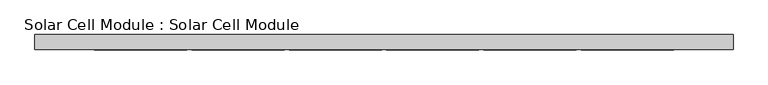
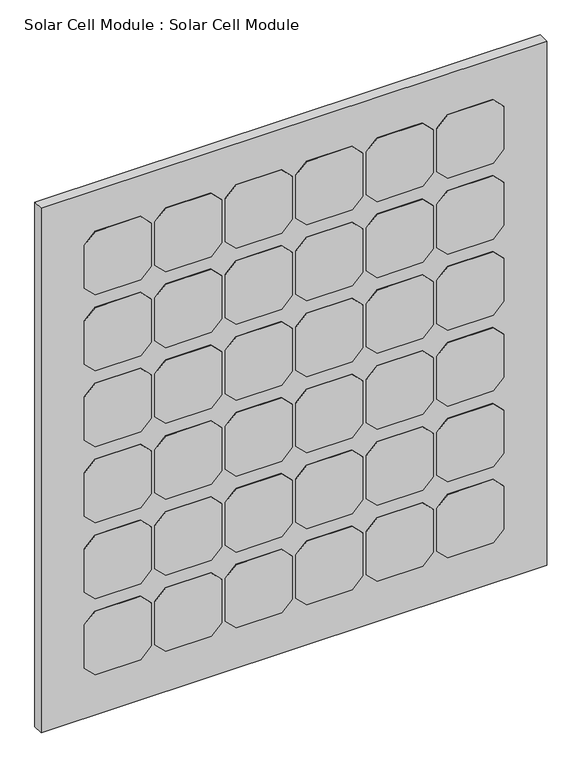
"""IFC4 building model written with IfcOpenShell, lengths in millimetres: plate geometry, Solar Cell Module : Solar Cell Module."""

from ifc_helpers import new_model, si_unit, frame, origin, origin_with_axes, place, context, project, spatial, polyline, outline, extrude, source, transform, mapped, element, save


def solar_cell_module_solar_cell_module_5bd1d3ac(model_context):
    return source(origin(), model_context, "Body", "SweptSolid", [
        extrude(outline(polyline([(847.4741748, 299.1427161), (872.4741748, 324.1427161), (978.4741748, 324.1427161), (1003.4741748, 299.1427161), (1003.4741748, 193.1427161), (978.4741748, 168.1427161), (872.4741748, 168.1427161), (847.4741748, 193.1427161), (847.4741748, 299.1427161)])), frame((0.0, -26.0, 0.0), z_axis=(0.0, 1.0, 0.0), x_axis=(0.0, 0.0, 1.0)), (0.0, 0.0, 1.0), 1.0),
        extrude(outline(polyline([(660.6056311, 299.1427161), (685.6056311, 324.1427161), (791.6056311, 324.1427161), (816.6056311, 299.1427161), (816.6056311, 193.1427161), (791.6056311, 168.1427161), (685.6056311, 168.1427161), (660.6056311, 193.1427161), (660.6056311, 299.1427161)])), frame((0.0, -26.0, 0.0), z_axis=(0.0, 1.0, 0.0), x_axis=(0.0, 0.0, 1.0)), (0.0, 0.0, 1.0), 1.0),
        extrude(outline(polyline([(473.7370874, 299.1427161), (498.7370874, 324.1427161), (604.7370874, 324.1427161), (629.7370874, 299.1427161), (629.7370874, 193.1427161), (604.7370874, 168.1427161), (498.7370874, 168.1427161), (473.7370874, 193.1427161), (473.7370874, 299.1427161)])), frame((0.0, -26.0, 0.0), z_axis=(0.0, 1.0, 0.0), x_axis=(0.0, 0.0, 1.0)), (0.0, 0.0, 1.0), 1.0),
        extrude(outline(polyline([(286.8685437, 299.1427161), (311.8685437, 324.1427161), (417.8685437, 324.1427161), (442.8685437, 299.1427161), (442.8685437, 193.1427161), (417.8685437, 168.1427161), (311.8685437, 168.1427161), (286.8685437, 193.1427161), (286.8685437, 299.1427161)])), frame((0.0, -26.0, 0.0), z_axis=(0.0, 1.0, 0.0), x_axis=(0.0, 0.0, 1.0)), (0.0, 0.0, 1.0), 1.0),
        extrude(outline(polyline([(1034.3427185, 299.1427161), (1059.3427185, 324.1427161), (1165.3427185, 324.1427161), (1190.3427185, 299.1427161), (1190.3427185, 193.1427161), (1165.3427185, 168.1427161), (1059.3427185, 168.1427161), (1034.3427185, 193.1427161), (1034.3427185, 299.1427161)])), frame((0.0, -26.0, 0.0), z_axis=(0.0, 1.0, 0.0), x_axis=(0.0, 0.0, 1.0)), (0.0, 0.0, 1.0), 1.0),
        extrude(outline(polyline([(100.0, 299.1427161), (125.0, 324.1427161), (231.0, 324.1427161), (256.0, 299.1427161), (256.0, 193.1427161), (231.0, 168.1427161), (125.0, 168.1427161), (100.0, 193.1427161), (100.0, 299.1427161)])), frame((0.0, -26.0, 0.0), z_axis=(0.0, 1.0, 0.0), x_axis=(0.0, 0.0, 1.0)), (0.0, 0.0, 1.0), 1.0),
        extrude(outline(polyline([(847.4741748, 135.047572), (872.4741748, 160.047572), (978.4741748, 160.047572), (1003.4741748, 135.047572), (1003.4741748, 29.047572), (978.4741748, 4.047572), (872.4741748, 4.047572), (847.4741748, 29.047572), (847.4741748, 135.047572)])), frame((0.0, -26.0, 0.0), z_axis=(0.0, 1.0, 0.0), x_axis=(0.0, 0.0, 1.0)), (0.0, 0.0, 1.0), 1.0),
        extrude(outline(polyline([(660.6056311, 135.047572), (685.6056311, 160.047572), (791.6056311, 160.047572), (816.6056311, 135.047572), (816.6056311, 29.047572), (791.6056311, 4.047572), (685.6056311, 4.047572), (660.6056311, 29.047572), (660.6056311, 135.047572)])), frame((0.0, -26.0, 0.0), z_axis=(0.0, 1.0, 0.0), x_axis=(0.0, 0.0, 1.0)), (0.0, 0.0, 1.0), 1.0),
        extrude(outline(polyline([(473.7370874, 135.047572), (498.7370874, 160.047572), (604.7370874, 160.047572), (629.7370874, 135.047572), (629.7370874, 29.047572), (604.7370874, 4.047572), (498.7370874, 4.047572), (473.7370874, 29.047572), (473.7370874, 135.047572)])), frame((0.0, -26.0, 0.0), z_axis=(0.0, 1.0, 0.0), x_axis=(0.0, 0.0, 1.0)), (0.0, 0.0, 1.0), 1.0),
        extrude(outline(polyline([(286.8685437, 135.047572), (311.8685437, 160.047572), (417.8685437, 160.047572), (442.8685437, 135.047572), (442.8685437, 29.047572), (417.8685437, 4.047572), (311.8685437, 4.047572), (286.8685437, 29.047572), (286.8685437, 135.047572)])), frame((0.0, -26.0, 0.0), z_axis=(0.0, 1.0, 0.0), x_axis=(0.0, 0.0, 1.0)), (0.0, 0.0, 1.0), 1.0),
        extrude(outline(polyline([(1034.3427185, 135.047572), (1059.3427185, 160.047572), (1165.3427185, 160.047572), (1190.3427185, 135.047572), (1190.3427185, 29.047572), (1165.3427185, 4.047572), (1059.3427185, 4.047572), (1034.3427185, 29.047572), (1034.3427185, 135.047572)])), frame((0.0, -26.0, 0.0), z_axis=(0.0, 1.0, 0.0), x_axis=(0.0, 0.0, 1.0)), (0.0, 0.0, 1.0), 1.0),
        extrude(outline(polyline([(100.0, 135.047572), (125.0, 160.047572), (231.0, 160.047572), (256.0, 135.047572), (256.0, 29.047572), (231.0, 4.047572), (125.0, 4.047572), (100.0, 29.047572), (100.0, 135.047572)])), frame((0.0, -26.0, 0.0), z_axis=(0.0, 1.0, 0.0), x_axis=(0.0, 0.0, 1.0)), (0.0, 0.0, 1.0), 1.0),
        extrude(outline(polyline([(847.4741748, -29.047572), (872.4741748, -4.047572), (978.4741748, -4.047572), (1003.4741748, -29.047572), (1003.4741748, -135.047572), (978.4741748, -160.047572), (872.4741748, -160.047572), (847.4741748, -135.047572), (847.4741748, -29.047572)])), frame((0.0, -26.0, 0.0), z_axis=(0.0, 1.0, 0.0), x_axis=(0.0, 0.0, 1.0)), (0.0, 0.0, 1.0), 1.0),
        extrude(outline(polyline([(660.6056311, -29.047572), (685.6056311, -4.047572), (791.6056311, -4.047572), (816.6056311, -29.047572), (816.6056311, -135.047572), (791.6056311, -160.047572), (685.6056311, -160.047572), (660.6056311, -135.047572), (660.6056311, -29.047572)])), frame((0.0, -26.0, 0.0), z_axis=(0.0, 1.0, 0.0), x_axis=(0.0, 0.0, 1.0)), (0.0, 0.0, 1.0), 1.0),
        extrude(outline(polyline([(473.7370874, -29.047572), (498.7370874, -4.047572), (604.7370874, -4.047572), (629.7370874, -29.047572), (629.7370874, -135.047572), (604.7370874, -160.047572), (498.7370874, -160.047572), (473.7370874, -135.047572), (473.7370874, -29.047572)])), frame((0.0, -26.0, 0.0), z_axis=(0.0, 1.0, 0.0), x_axis=(0.0, 0.0, 1.0)), (0.0, 0.0, 1.0), 1.0),
        extrude(outline(polyline([(286.8685437, -29.047572), (311.8685437, -4.047572), (417.8685437, -4.047572), (442.8685437, -29.047572), (442.8685437, -135.047572), (417.8685437, -160.047572), (311.8685437, -160.047572), (286.8685437, -135.047572), (286.8685437, -29.047572)])), frame((0.0, -26.0, 0.0), z_axis=(0.0, 1.0, 0.0), x_axis=(0.0, 0.0, 1.0)), (0.0, 0.0, 1.0), 1.0),
        extrude(outline(polyline([(1034.3427185, -29.047572), (1059.3427185, -4.047572), (1165.3427185, -4.047572), (1190.3427185, -29.047572), (1190.3427185, -135.047572), (1165.3427185, -160.047572), (1059.3427185, -160.047572), (1034.3427185, -135.047572), (1034.3427185, -29.047572)])), frame((0.0, -26.0, 0.0), z_axis=(0.0, 1.0, 0.0), x_axis=(0.0, 0.0, 1.0)), (0.0, 0.0, 1.0), 1.0),
        extrude(outline(polyline([(100.0, -29.047572), (125.0, -4.047572), (231.0, -4.047572), (256.0, -29.047572), (256.0, -135.047572), (231.0, -160.047572), (125.0, -160.047572), (100.0, -135.047572), (100.0, -29.047572)])), frame((0.0, -26.0, 0.0), z_axis=(0.0, 1.0, 0.0), x_axis=(0.0, 0.0, 1.0)), (0.0, 0.0, 1.0), 1.0),
        extrude(outline(polyline([(847.4741748, -193.1427161), (872.4741748, -168.1427161), (978.4741748, -168.1427161), (1003.4741748, -193.1427161), (1003.4741748, -299.1427161), (978.4741748, -324.1427161), (872.4741748, -324.1427161), (847.4741748, -299.1427161), (847.4741748, -193.1427161)])), frame((0.0, -26.0, 0.0), z_axis=(0.0, 1.0, 0.0), x_axis=(0.0, 0.0, 1.0)), (0.0, 0.0, 1.0), 1.0),
        extrude(outline(polyline([(660.6056311, -193.1427161), (685.6056311, -168.1427161), (791.6056311, -168.1427161), (816.6056311, -193.1427161), (816.6056311, -299.1427161), (791.6056311, -324.1427161), (685.6056311, -324.1427161), (660.6056311, -299.1427161), (660.6056311, -193.1427161)])), frame((0.0, -26.0, 0.0), z_axis=(0.0, 1.0, 0.0), x_axis=(0.0, 0.0, 1.0)), (0.0, 0.0, 1.0), 1.0),
        extrude(outline(polyline([(473.7370874, -193.1427161), (498.7370874, -168.1427161), (604.7370874, -168.1427161), (629.7370874, -193.1427161), (629.7370874, -299.1427161), (604.7370874, -324.1427161), (498.7370874, -324.1427161), (473.7370874, -299.1427161), (473.7370874, -193.1427161)])), frame((0.0, -26.0, 0.0), z_axis=(0.0, 1.0, 0.0), x_axis=(0.0, 0.0, 1.0)), (0.0, 0.0, 1.0), 1.0),
        extrude(outline(polyline([(286.8685437, -193.1427161), (311.8685437, -168.1427161), (417.8685437, -168.1427161), (442.8685437, -193.1427161), (442.8685437, -299.1427161), (417.8685437, -324.1427161), (311.8685437, -324.1427161), (286.8685437, -299.1427161), (286.8685437, -193.1427161)])), frame((0.0, -26.0, 0.0), z_axis=(0.0, 1.0, 0.0), x_axis=(0.0, 0.0, 1.0)), (0.0, 0.0, 1.0), 1.0),
        extrude(outline(polyline([(1034.3427185, -193.1427161), (1059.3427185, -168.1427161), (1165.3427185, -168.1427161), (1190.3427185, -193.1427161), (1190.3427185, -299.1427161), (1165.3427185, -324.1427161), (1059.3427185, -324.1427161), (1034.3427185, -299.1427161), (1034.3427185, -193.1427161)])), frame((0.0, -26.0, 0.0), z_axis=(0.0, 1.0, 0.0), x_axis=(0.0, 0.0, 1.0)), (0.0, 0.0, 1.0), 1.0),
        extrude(outline(polyline([(100.0, -193.1427161), (125.0, -168.1427161), (231.0, -168.1427161), (256.0, -193.1427161), (256.0, -299.1427161), (231.0, -324.1427161), (125.0, -324.1427161), (100.0, -299.1427161), (100.0, -193.1427161)])), frame((0.0, -26.0, 0.0), z_axis=(0.0, 1.0, 0.0), x_axis=(0.0, 0.0, 1.0)), (0.0, 0.0, 1.0), 1.0),
        extrude(outline(polyline([(847.4741748, 463.2378602), (872.4741748, 488.2378602), (978.4741748, 488.2378602), (1003.4741748, 463.2378602), (1003.4741748, 357.2378602), (978.4741748, 332.2378602), (872.4741748, 332.2378602), (847.4741748, 357.2378602), (847.4741748, 463.2378602)])), frame((0.0, -26.0, 0.0), z_axis=(0.0, 1.0, 0.0), x_axis=(0.0, 0.0, 1.0)), (0.0, 0.0, 1.0), 1.0),
        extrude(outline(polyline([(660.6056311, 463.2378602), (685.6056311, 488.2378602), (791.6056311, 488.2378602), (816.6056311, 463.2378602), (816.6056311, 357.2378602), (791.6056311, 332.2378602), (685.6056311, 332.2378602), (660.6056311, 357.2378602), (660.6056311, 463.2378602)])), frame((0.0, -26.0, 0.0), z_axis=(0.0, 1.0, 0.0), x_axis=(0.0, 0.0, 1.0)), (0.0, 0.0, 1.0), 1.0),
        extrude(outline(polyline([(473.7370874, 463.2378602), (498.7370874, 488.2378602), (604.7370874, 488.2378602), (629.7370874, 463.2378602), (629.7370874, 357.2378602), (604.7370874, 332.2378602), (498.7370874, 332.2378602), (473.7370874, 357.2378602), (473.7370874, 463.2378602)])), frame((0.0, -26.0, 0.0), z_axis=(0.0, 1.0, 0.0), x_axis=(0.0, 0.0, 1.0)), (0.0, 0.0, 1.0), 1.0),
        extrude(outline(polyline([(286.8685437, 463.2378602), (311.8685437, 488.2378602), (417.8685437, 488.2378602), (442.8685437, 463.2378602), (442.8685437, 357.2378602), (417.8685437, 332.2378602), (311.8685437, 332.2378602), (286.8685437, 357.2378602), (286.8685437, 463.2378602)])), frame((0.0, -26.0, 0.0), z_axis=(0.0, 1.0, 0.0), x_axis=(0.0, 0.0, 1.0)), (0.0, 0.0, 1.0), 1.0),
        extrude(outline(polyline([(1034.3427185, 463.2378602), (1059.3427185, 488.2378602), (1165.3427185, 488.2378602), (1190.3427185, 463.2378602), (1190.3427185, 357.2378602), (1165.3427185, 332.2378602), (1059.3427185, 332.2378602), (1034.3427185, 357.2378602), (1034.3427185, 463.2378602)])), frame((0.0, -26.0, 0.0), z_axis=(0.0, 1.0, 0.0), x_axis=(0.0, 0.0, 1.0)), (0.0, 0.0, 1.0), 1.0),
        extrude(outline(polyline([(100.0, 463.2378602), (125.0, 488.2378602), (231.0, 488.2378602), (256.0, 463.2378602), (256.0, 357.2378602), (231.0, 332.2378602), (125.0, 332.2378602), (100.0, 357.2378602), (100.0, 463.2378602)])), frame((0.0, -26.0, 0.0), z_axis=(0.0, 1.0, 0.0), x_axis=(0.0, 0.0, 1.0)), (0.0, 0.0, 1.0), 1.0),
        extrude(outline(polyline([(847.4741748, -357.2378602), (872.4741748, -332.2378602), (978.4741748, -332.2378602), (1003.4741748, -357.2378602), (1003.4741748, -463.2378602), (978.4741748, -488.2378602), (872.4741748, -488.2378602), (847.4741748, -463.2378602), (847.4741748, -357.2378602)])), frame((0.0, -26.0, 0.0), z_axis=(0.0, 1.0, 0.0), x_axis=(0.0, 0.0, 1.0)), (0.0, 0.0, 1.0), 1.0),
        extrude(outline(polyline([(660.6056311, -357.2378602), (685.6056311, -332.2378602), (791.6056311, -332.2378602), (816.6056311, -357.2378602), (816.6056311, -463.2378602), (791.6056311, -488.2378602), (685.6056311, -488.2378602), (660.6056311, -463.2378602), (660.6056311, -357.2378602)])), frame((0.0, -26.0, 0.0), z_axis=(0.0, 1.0, 0.0), x_axis=(0.0, 0.0, 1.0)), (0.0, 0.0, 1.0), 1.0),
        extrude(outline(polyline([(473.7370874, -357.2378602), (498.7370874, -332.2378602), (604.7370874, -332.2378602), (629.7370874, -357.2378602), (629.7370874, -463.2378602), (604.7370874, -488.2378602), (498.7370874, -488.2378602), (473.7370874, -463.2378602), (473.7370874, -357.2378602)])), frame((0.0, -26.0, 0.0), z_axis=(0.0, 1.0, 0.0), x_axis=(0.0, 0.0, 1.0)), (0.0, 0.0, 1.0), 1.0),
        extrude(outline(polyline([(286.8685437, -357.2378602), (311.8685437, -332.2378602), (417.8685437, -332.2378602), (442.8685437, -357.2378602), (442.8685437, -463.2378602), (417.8685437, -488.2378602), (311.8685437, -488.2378602), (286.8685437, -463.2378602), (286.8685437, -357.2378602)])), frame((0.0, -26.0, 0.0), z_axis=(0.0, 1.0, 0.0), x_axis=(0.0, 0.0, 1.0)), (0.0, 0.0, 1.0), 1.0),
        extrude(outline(polyline([(1034.3427185, -357.2378602), (1059.3427185, -332.2378602), (1165.3427185, -332.2378602), (1190.3427185, -357.2378602), (1190.3427185, -463.2378602), (1165.3427185, -488.2378602), (1059.3427185, -488.2378602), (1034.3427185, -463.2378602), (1034.3427185, -357.2378602)])), frame((0.0, -26.0, 0.0), z_axis=(0.0, 1.0, 0.0), x_axis=(0.0, 0.0, 1.0)), (0.0, 0.0, 1.0), 1.0),
        extrude(outline(polyline([(100.0, -357.2378602), (125.0, -332.2378602), (231.0, -332.2378602), (256.0, -357.2378602), (256.0, -463.2378602), (231.0, -488.2378602), (125.0, -488.2378602), (100.0, -463.2378602), (100.0, -357.2378602)])), frame((0.0, -26.0, 0.0), z_axis=(0.0, 1.0, 0.0), x_axis=(0.0, 0.0, 1.0)), (0.0, 0.0, 1.0), 1.0),
        extrude(outline(polyline([(588.2378602, -25.0), (-588.2378602, -25.0), (-588.2378602, 0.0), (588.2378602, 0.0), (588.2378602, -25.0)])), origin_with_axes(), (0.0, 0.0, 1.0), 1290.3427185),
    ])


if __name__ == "__main__":
    model = new_model("IFC4")
    model_context = context("Model", 3, world=origin())
    ifc_project = project(units=[si_unit("LENGTHUNIT", "METRE", prefix="MILLI")], contexts=[model_context])
    site = spatial("IfcSite", under=ifc_project)
    building = spatial("IfcBuilding", under=site)
    placement = place(None, origin())
    solar_cell_module_solar_cell_module_shape = solar_cell_module_solar_cell_module_5bd1d3ac(model_context)
    element("IfcPlate", 1, ObjectType="Solar Cell Module : Solar Cell Module", at=placement, inside=building, context=model_context, shape_type="MappedRepresentation", body=[
        mapped(solar_cell_module_solar_cell_module_shape, transform((0.0, 0.0, 0.0), x_axis=(1.0, 0.0, 0.0), y_axis=(0.0, 1.0, 0.0), z_axis=(0.0, 0.0, 1.0))),
    ])
    save(model, "model.ifc")
